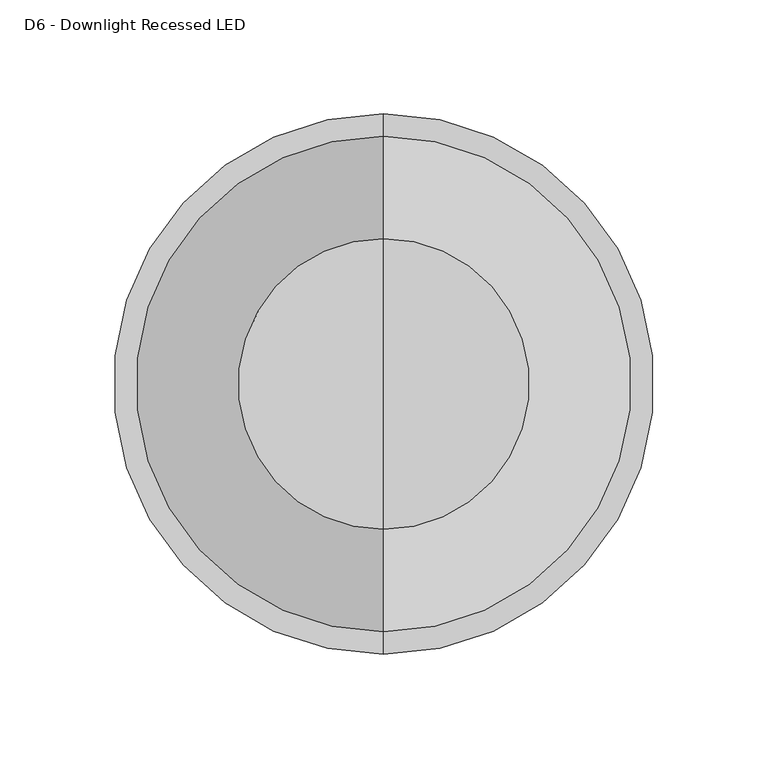
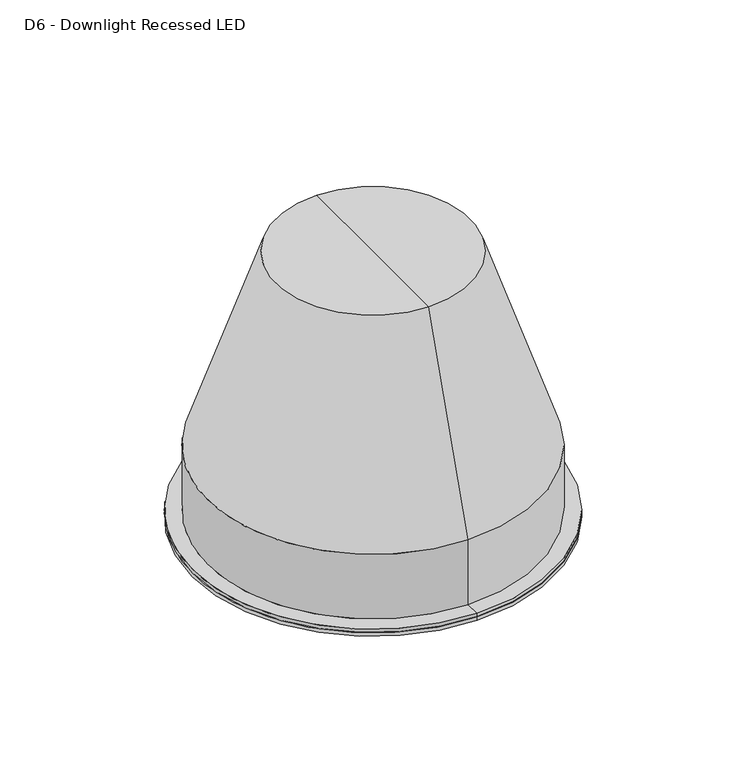
"""IFC4 building model written with IfcOpenShell, lengths in millimetres: light fixture geometry, D6 - Downlight Recessed LED."""

from ifc_helpers import new_model, si_unit, frame, origin, place, context, project, spatial, polyline, circle_curve, source, transform, mapped, element, save
from ifc_brep_helpers import plane_surface, cylinder_surface, revolved_surface, advanced_brep


def d6_downlight_recessed_led_51aea381(model_context):
    return source(origin(), model_context, "Body", "AdvancedBrep", [
        advanced_brep(
        [(0.0, 0.0, -5.0), (0.0, 119.0, -5.0), (0.0, -119.0, -5.0), (0.0, 119.0, -2.5), (0.0, 0.0, -2.5), (0.0, -119.0, -2.5)],
        [
            (0, 1),
            (1, 2, circle_curve(frame((0.0, 0.0, -5.0), z_axis=(0.0, 0.0, -1.0), x_axis=(0.0, -1.0, 0.0)), 119.0)),
            (2, 0),
            (2, 1, circle_curve(frame((0.0, 0.0, -5.0), z_axis=(0.0, 0.0, -1.0), x_axis=(0.0, -1.0, 0.0)), 119.0)),
            (3, 4),
            (4, 5),
            (5, 3, circle_curve(frame((0.0, 0.0, -2.5), z_axis=(0.0, 0.0, 1.0), x_axis=(0.0, -1.0, 0.0)), 119.0)),
            (3, 5, circle_curve(frame((0.0, 0.0, -2.5), z_axis=(0.0, 0.0, 1.0), x_axis=(0.0, -1.0, 0.0)), 119.0)),
            (1, 3),
            (5, 2),
        ],
        [
            plane_surface(frame((0.0, 0.0, -5.0), z_axis=(0.0, 0.0, -1.0), x_axis=(0.0, -1.0, 0.0))),
            plane_surface(frame((0.0, 0.0, -2.5), z_axis=(0.0, 0.0, 1.0), x_axis=(0.0, -1.0, 0.0))),
            cylinder_surface(frame((0.0, 0.0, 577.2817465), z_axis=(0.0, 0.0, -1.0), x_axis=(0.0, -1.0, 0.0)), 119.0),
        ],
        [
            (0, [[1, 2, 3]]),
            (0, [[-3, 4, -1]]),
            (1, [[5, 6, 7]]),
            (1, [[-6, -5, 8]]),
            (2, [[9, -7, 10, -2]]),
            (2, [[-10, -8, -9, -4]]),
        ],
    ),
        advanced_brep(
        [(0.0, 0.0, 180.0), (0.0, -64.0, 180.0), (0.0, 64.0, 180.0), (0.0, -119.0, -2.5), (0.0, -106.5, -2.5), (0.0, 106.5, -2.5), (0.0, 119.0, -2.5), (0.0, -119.0, 0.0), (0.0, 119.0, 0.0), (0.0, -109.0, 0.0), (0.0, 109.0, 0.0), (0.0, -109.0, 45.0), (0.0, 109.0, 45.0), (0.0, -62.0704413, 177.5), (0.0, 0.0, 177.5), (0.0, 62.0704413, 177.5), (0.0, -106.5, 44.6780485), (0.0, 106.5, 44.6780485)],
        [
            (0, 1),
            (1, 2, circle_curve(frame((0.0, 0.0, 180.0), z_axis=(0.0, 0.0, 1.0), x_axis=(0.0, 1.0, 0.0)), 64.0)),
            (2, 0),
            (2, 1, circle_curve(frame((0.0, 0.0, 180.0), z_axis=(0.0, 0.0, 1.0), x_axis=(0.0, 1.0, 0.0)), 64.0)),
            (3, 4),
            (4, 5, circle_curve(frame((0.0, 0.0, -2.5), z_axis=(0.0, 0.0, 1.0), x_axis=(0.0, 1.0, 0.0)), 106.5)),
            (5, 6),
            (6, 3, circle_curve(frame((0.0, 0.0, -2.5), z_axis=(0.0, 0.0, -1.0), x_axis=(0.0, 1.0, 0.0)), 119.0)),
            (5, 4, circle_curve(frame((0.0, 0.0, -2.5), z_axis=(0.0, 0.0, 1.0), x_axis=(0.0, 1.0, 0.0)), 106.5)),
            (3, 6, circle_curve(frame((0.0, 0.0, -2.5), z_axis=(0.0, 0.0, -1.0), x_axis=(0.0, 1.0, 0.0)), 119.0)),
            (7, 3),
            (6, 8),
            (8, 7, circle_curve(frame((0.0, 0.0, 0.0), z_axis=(0.0, 0.0, -1.0), x_axis=(0.0, 1.0, 0.0)), 119.0)),
            (7, 8, circle_curve(frame((0.0, 0.0, 0.0), z_axis=(0.0, 0.0, -1.0), x_axis=(0.0, 1.0, 0.0)), 119.0)),
            (9, 7),
            (8, 10),
            (10, 9, circle_curve(frame((0.0, 0.0, 0.0), z_axis=(0.0, 0.0, -1.0), x_axis=(0.0, 1.0, 0.0)), 109.0)),
            (9, 10, circle_curve(frame((0.0, 0.0, 0.0), z_axis=(0.0, 0.0, -1.0), x_axis=(0.0, 1.0, 0.0)), 109.0)),
            (11, 9),
            (10, 12),
            (12, 11, circle_curve(frame((0.0, 0.0, 45.0), z_axis=(0.0, 0.0, -1.0), x_axis=(0.0, 1.0, 0.0)), 109.0)),
            (11, 12, circle_curve(frame((0.0, 0.0, 45.0), z_axis=(0.0, 0.0, -1.0), x_axis=(0.0, 1.0, 0.0)), 109.0)),
            (1, 11),
            (12, 2),
            (13, 14),
            (14, 15),
            (15, 13, circle_curve(frame((0.0, 0.0, 177.5), z_axis=(0.0, 0.0, -1.0), x_axis=(0.0, 1.0, 0.0)), 62.0704413)),
            (13, 15, circle_curve(frame((0.0, 0.0, 177.5), z_axis=(0.0, 0.0, -1.0), x_axis=(0.0, 1.0, 0.0)), 62.0704413)),
            (16, 13),
            (15, 17),
            (17, 16, circle_curve(frame((0.0, 0.0, 44.6780485), z_axis=(0.0, 0.0, -1.0), x_axis=(0.0, 1.0, 0.0)), 106.5)),
            (16, 17, circle_curve(frame((0.0, 0.0, 44.6780485), z_axis=(0.0, 0.0, -1.0), x_axis=(0.0, 1.0, 0.0)), 106.5)),
            (4, 16),
            (17, 5),
        ],
        [
            plane_surface(frame((0.0, 0.0, 180.0), z_axis=(0.0, 0.0, 1.0), x_axis=(0.0, 1.0, 0.0))),
            plane_surface(frame((0.0, 0.0, -2.5), z_axis=(0.0, 0.0, -1.0), x_axis=(0.0, 1.0, 0.0))),
            cylinder_surface(frame((0.0, 0.0, 499.2817465), z_axis=(0.0, 0.0, 1.0), x_axis=(0.0, 1.0, 0.0)), 119.0),
            plane_surface(frame((0.0, 0.0, 0.0), z_axis=(0.0, 0.0, 1.0), x_axis=(0.0, 1.0, 0.0))),
            cylinder_surface(frame((0.0, 0.0, 499.2817465), z_axis=(0.0, 0.0, 1.0), x_axis=(0.0, 1.0, 0.0)), 109.0),
            revolved_surface(polyline([(0.0, 109.0, 45.0), (0.0, 64.0, 180.0)]), (0.0, 0.0, 499.2817465), (0.0, 0.0, 1.0)),
            plane_surface(frame((0.0, 0.0, 177.5), z_axis=(0.0, 0.0, -1.0), x_axis=(0.0, 1.0, 0.0))),
            revolved_surface(polyline([(0.0, 62.0704413, 177.5), (0.0, 106.5, 44.6780485)]), (0.0, 0.0, 499.2817465), (0.0, 0.0, 1.0)),
            revolved_surface(polyline([(0.0, 106.5, 44.67804849999999), (0.0, 106.5, -2.5)]), (0.0, 0.0, 499.2817465), (0.0, 0.0, 1.0)),
        ],
        [
            (0, [[1, 2, 3]]),
            (0, [[-3, 4, -1]]),
            (1, [[5, 6, 7, 8]]),
            (1, [[-7, 9, -5, 10]]),
            (2, [[11, -8, 12, 13]]),
            (2, [[-12, -10, -11, 14]]),
            (3, [[15, -13, 16, 17]]),
            (3, [[-16, -14, -15, 18]]),
            (4, [[19, -17, 20, 21]]),
            (4, [[-20, -18, -19, 22]]),
            (5, [[23, -21, 24, -2]]),
            (5, [[-24, -22, -23, -4]]),
            (6, [[25, 26, 27]]),
            (6, [[-26, -25, 28]]),
            (7, [[29, -27, 30, 31]]),
            (7, [[-30, -28, -29, 32]]),
            (8, [[33, -31, 34, -6]]),
            (8, [[-34, -32, -33, -9]]),
        ],
    ),
    ])


if __name__ == "__main__":
    model = new_model("IFC4")
    model_context = context("Model", 3, world=origin())
    ifc_project = project(units=[si_unit("LENGTHUNIT", "METRE", prefix="MILLI")], contexts=[model_context])
    site = spatial("IfcSite", under=ifc_project)
    building = spatial("IfcBuilding", under=site)
    placement = place(None, origin())
    d6_downlight_recessed_led_shape = d6_downlight_recessed_led_51aea381(model_context)
    element("IfcLightFixture", 1, ObjectType="D6 - Downlight Recessed LED", at=placement, inside=building, context=model_context, shape_type="MappedRepresentation", body=[
        mapped(d6_downlight_recessed_led_shape, transform((0.0, 0.0, 0.0), x_axis=(1.0, 0.0, 0.0), y_axis=(0.0, 1.0, 0.0), z_axis=(0.0, 0.0, 1.0))),
    ])
    save(model, "model.ifc")
